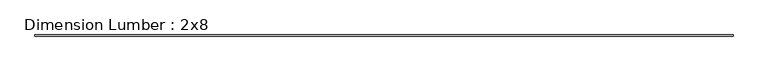
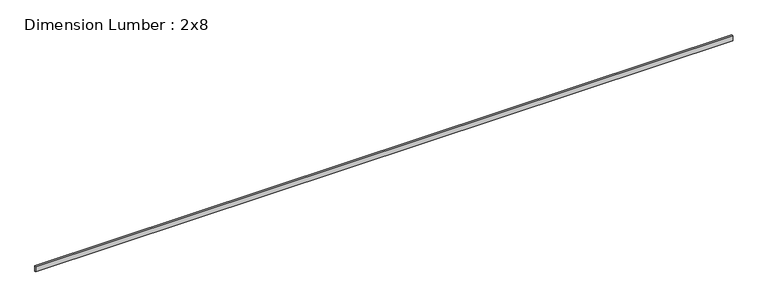
"""IFC4 building model written with IfcOpenShell, lengths in millimetres: beam geometry, Dimension Lumber : 2x8."""

from ifc_helpers import new_model, si_unit, frame, origin, place, context, project, spatial, polyline, outline, extrude, source, transform, mapped, element, save


def dimension_lumber_2x8_9a12ec47(model_context):
    return source(origin(), model_context, "Body", "SweptSolid", [
        extrude(outline(polyline([(11270.7115787, 19.05), (11270.7115787, -19.05), (-11270.7115787, -19.05), (-11270.7115787, 19.05), (11270.7115787, 19.05)])), frame((0.0, 0.0, -92.075), z_axis=(0.0, 0.0, 1.0), x_axis=(1.0, 0.0, 0.0)), (0.0, 0.0, 1.0), 184.15),
    ])


if __name__ == "__main__":
    model = new_model("IFC4")
    model_context = context("Model", 3, world=origin())
    ifc_project = project(units=[si_unit("LENGTHUNIT", "METRE", prefix="MILLI")], contexts=[model_context])
    site = spatial("IfcSite", under=ifc_project)
    building = spatial("IfcBuilding", under=site)
    placement = place(None, origin())
    dimension_lumber_2x8_shape = dimension_lumber_2x8_9a12ec47(model_context)
    element("IfcBeam", 1, ObjectType="Dimension Lumber : 2x8", at=placement, inside=building, context=model_context, shape_type="MappedRepresentation", body=[
        mapped(dimension_lumber_2x8_shape, transform((0.0, 0.0, 0.0), x_axis=(1.0, 0.0, 0.0), y_axis=(0.0, 1.0, 0.0), z_axis=(0.0, 0.0, 1.0))),
    ])
    save(model, "model.ifc")
